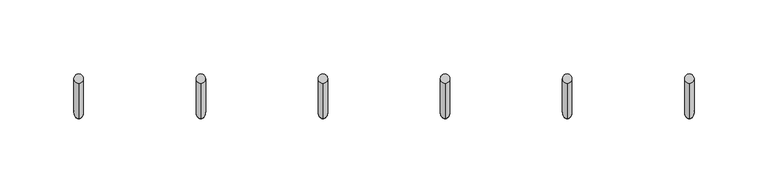
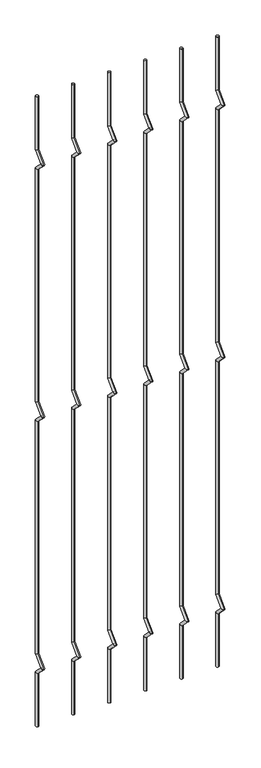
"""IFC4 building model written with IfcOpenShell, lengths in millimetres: railing geometry."""

import ifcopenshell
import ifcopenshell.guid

model = None  # the IFC model being written
_history = None  # IfcOwnerHistory: only IFC2X3 demands one
_inside = {}  # id of a spatial element -> (the spatial element, [elements in it])
_under = {}  # id of a project, library or spatial element -> (it, [spatial elements below it])
_declared = {}  # id of a project -> (the project, [libraries it declares])
_typed = {}  # id of a type object -> (the type object, [elements of that type])
_made_of = {}  # id of a material, layer set ... -> (it, [elements and type objects made of it])


def new_model(schema):
    """Start an empty IFC model of exactly this schema.

    Asked for "IFC4X3", IfcOpenShell would pick the latest addendum, in which some entities
    have other attributes; the version numbers below select the first issue.
    IFC2X3 requires an IfcOwnerHistory on every rooted entity: one is made here for all.
    """
    global model, _history
    if schema == "IFC4X3":
        model = ifcopenshell.file(schema_version=(4, 3, 0, 0))
    else:
        model = ifcopenshell.file(schema=schema)
    _inside.clear()
    _under.clear()
    _declared.clear()
    _typed.clear()
    _made_of.clear()
    _history = None
    if model.schema == "IFC2X3":
        org = make("IfcOrganization", Name="unknown")
        user = make(
            "IfcPersonAndOrganization",
            ThePerson=make("IfcPerson", FamilyName="unknown"),
            TheOrganization=org,
        )
        app = make(
            "IfcApplication",
            ApplicationDeveloper=org,
            Version="unknown",
            ApplicationFullName="unknown",
            ApplicationIdentifier="unknown",
        )
        _history = make(
            "IfcOwnerHistory",
            OwningUser=user,
            OwningApplication=app,
            ChangeAction="ADDED",
            CreationDate=0,
        )
    return model


def make(cls, **values):
    """One entity of the class cls with the attributes given. An attribute that is None is left unset."""
    return model.create_entity(
        cls, **{name: value for name, value in values.items() if value is not None}
    )


def rooted(cls, **values):
    """An entity with a GlobalId (a new one), such as an element, a storey or a relation."""
    return make(cls, GlobalId=ifcopenshell.guid.new(), OwnerHistory=_history, **values)


def si_unit(unit_type, name, prefix=None):
    """IfcSIUnit, for example si_unit("LENGTHUNIT", "METRE", prefix="MILLI")."""
    return make("IfcSIUnit", UnitType=unit_type, Prefix=prefix, Name=name)


def assignment(units):
    """IfcUnitAssignment: the units of a project."""
    return None if units is None else make("IfcUnitAssignment", Units=units)


def point(xyz):
    """IfcCartesianPoint."""
    return None if xyz is None else make("IfcCartesianPoint", Coordinates=xyz)


def direction(xyz):
    """IfcDirection."""
    return None if xyz is None else make("IfcDirection", DirectionRatios=xyz)


def frame(location, z_axis=None, x_axis=None):
    """IfcAxis2Placement3D, a coordinate frame: its origin and axes. An axis left out is left unset."""
    return make(
        "IfcAxis2Placement3D",
        Location=point(location),
        Axis=direction(z_axis),
        RefDirection=direction(x_axis),
    )


def origin():
    """The frame at (0, 0, 0) with its axes left unset."""
    return frame((0.0, 0.0, 0.0))


def place(relative_to, where):
    """IfcLocalPlacement: puts the frame where relative to a parent placement (None: the world)."""
    return make(
        "IfcLocalPlacement", PlacementRelTo=relative_to, RelativePlacement=where
    )


def context(
    kind, dimensions, precision=None, world=None, true_north=None, identifier=None
):
    """IfcGeometricRepresentationContext, for example the 3D "Model" context."""
    return make(
        "IfcGeometricRepresentationContext",
        ContextIdentifier=identifier,
        ContextType=kind,
        CoordinateSpaceDimension=dimensions,
        Precision=precision,
        WorldCoordinateSystem=world,
        TrueNorth=true_north,
    )


def project(units=None, contexts=None):
    """IfcProject with its units and contexts."""
    return rooted(
        "IfcProject",
        Name="project",
        RepresentationContexts=contexts,
        UnitsInContext=assignment(units),
    )


def spatial(cls, under=None, at=None, **own):
    """A site, building, storey or space (cls), placed at a placement, below another one or the project."""
    s = rooted(cls, ObjectPlacement=at, **own)
    if under is not None:
        _under.setdefault(under.id(), (under, []))[1].append(s)
    return s


def circle_curve(where, radius):
    """IfcCircle in the frame where."""
    return make("IfcCircle", Position=where, Radius=radius)


def ellipse_curve(where, semi_axis1, semi_axis2):
    """IfcEllipse in the frame where."""
    return make(
        "IfcEllipse", Position=where, SemiAxis1=semi_axis1, SemiAxis2=semi_axis2
    )


def shape(context_of_items, identifier, shape_type, items):
    """IfcShapeRepresentation: the items that make up one representation, for example the "Body"."""
    return make(
        "IfcShapeRepresentation",
        ContextOfItems=context_of_items,
        RepresentationIdentifier=identifier,
        RepresentationType=shape_type,
        Items=items,
    )


def source(mapping_origin, context_of_items, identifier, shape_type, items):
    """IfcRepresentationMap: a shape defined once, which mapped items show again and again."""
    return make(
        "IfcRepresentationMap",
        MappingOrigin=mapping_origin,
        MappedRepresentation=shape(context_of_items, identifier, shape_type, items),
    )


def transform(
    local_origin,
    x_axis=None,
    y_axis=None,
    z_axis=None,
    scale=None,
    scale2=None,
    scale3=None,
    uniform=True,
):
    """IfcCartesianTransformationOperator3D, or its non-uniform kind. x_axis, y_axis, z_axis: its Axis1, 2, 3."""
    if uniform:
        return make(
            "IfcCartesianTransformationOperator3D",
            Axis1=direction(x_axis),
            Axis2=direction(y_axis),
            LocalOrigin=point(local_origin),
            Scale=scale,
            Axis3=direction(z_axis),
        )
    return make(
        "IfcCartesianTransformationOperator3DnonUniform",
        Axis1=direction(x_axis),
        Axis2=direction(y_axis),
        LocalOrigin=point(local_origin),
        Scale=scale,
        Axis3=direction(z_axis),
        Scale2=scale2,
        Scale3=scale3,
    )


def mapped(mapping_source, mapping_target):
    """IfcMappedItem: shows the shape of a source again, moved by a transform."""
    return make(
        "IfcMappedItem", MappingSource=mapping_source, MappingTarget=mapping_target
    )


def made_of(thing, what):
    """Note that an element or type object is made of a material, layer set ...; save() writes the relation."""
    if what is not None:
        _made_of.setdefault(what.id(), (what, []))[1].append(thing)
    return thing


def element(
    cls,
    number,
    at=None,
    inside=None,
    cuts=None,
    type_object=None,
    material=None,
    context=None,
    identifier="Body",
    shape_type=None,
    held_by="IfcProductDefinitionShape",
    body=None,
    shapes=None,
    **own,
):
    """One element of the class cls, such as IfcWall. Its Tag is "e" and its number.

    at: its placement. inside: the storey or other place that contains it. cuts: it is an
    opening in that element (IfcRelVoidsElement). A single representation is given by context,
    identifier, shape_type and body (its items); several are given by shapes. held_by: the class
    of the entity that holds the representations. save() writes the other relations.
    """
    e = rooted(cls, Tag="e%d" % number, ObjectPlacement=at, **own)
    if body is not None:
        shapes = [shape(context, identifier, shape_type, body)]
    if shapes is not None:
        e.Representation = make(held_by, Representations=shapes)
    if inside is not None:
        _inside.setdefault(inside.id(), (inside, []))[1].append(e)
    if cuts is not None:
        rooted(
            "IfcRelVoidsElement", RelatingBuildingElement=cuts, RelatedOpeningElement=e
        )
    if type_object is not None:
        _typed.setdefault(type_object.id(), (type_object, []))[1].append(e)
    return made_of(e, material)


def aggregate(whole, parts):
    """IfcRelAggregates: a whole, such as a stair, and the parts it consists of."""
    return rooted("IfcRelAggregates", RelatingObject=whole, RelatedObjects=parts)


def save(model, path):
    """Write the relations noted so far, then the file.

    IfcRelAggregates (storeys below a building ...), IfcRelContainedInSpatialStructure (elements
    in a storey), IfcRelDefinesByType, IfcRelAssociatesMaterial and IfcRelDeclares: one each for
    every whole, place, type object, material and project.
    """
    for whole, parts in _under.values():
        aggregate(whole, parts)
    for where, things in _inside.values():
        rooted(
            "IfcRelContainedInSpatialStructure",
            RelatedElements=things,
            RelatingStructure=where,
        )
    for kind, things in _typed.values():
        rooted("IfcRelDefinesByType", RelatedObjects=things, RelatingType=kind)
    for what, things in _made_of.values():
        rooted("IfcRelAssociatesMaterial", RelatedObjects=things, RelatingMaterial=what)
    for by, libraries in _declared.values():
        rooted("IfcRelDeclares", RelatingContext=by, RelatedDefinitions=libraries)
    model.write(path)


def plane_surface(at):
    """IfcPlane: the flat surface through the origin of the frame at, square to its z axis."""
    return make("IfcPlane", Position=at)


def cylinder_surface(at, radius):
    """IfcCylindricalSurface: all points at the distance radius from the z axis of the frame at."""
    return make("IfcCylindricalSurface", Position=at, Radius=radius)


def advanced_brep(points, edges, surfaces, faces):
    """IfcAdvancedBrep: a solid bounded by faces that lie on surfaces and meet in shared edges.

    An edge is (start, end): straight between two places in points (the first is 0);
    or (start, end, curve); or (start, end, curve, False) where it runs against its curve.
    A face is (place in surfaces, loops), or (place, loops, False) where it looks against
    its surface's normal. A loop lists edges by number (the first is 1), with a minus sign
    where the edge is run from its end to its start. The first loop is the outer one.
    """
    corners = [point(p) for p in points]
    vertices = [make("IfcVertexPoint", VertexGeometry=c) for c in corners]
    made = []
    for start, end, *more in edges:
        made.append(
            make(
                "IfcEdgeCurve",
                EdgeStart=vertices[start],
                EdgeEnd=vertices[end],
                EdgeGeometry=more[0] if more else make("IfcPolyline", Points=[corners[start], corners[end]]),
                SameSense=more[1] if len(more) > 1 else True,
            )
        )
    hull = []
    for where, loops, *sense in faces:
        bounds = []
        for j, loop in enumerate(loops):
            ring = [make("IfcOrientedEdge", EdgeElement=made[abs(k) - 1], Orientation=k > 0) for k in loop]
            bounds.append(
                make(
                    "IfcFaceOuterBound" if j == 0 else "IfcFaceBound",
                    Bound=make("IfcEdgeLoop", EdgeList=ring),
                    Orientation=True,
                )
            )
        hull.append(make("IfcAdvancedFace", Bounds=bounds, FaceSurface=surfaces[where], SameSense=sense[0] if sense else True))
    return make("IfcAdvancedBrep", Outer=make("IfcClosedShell", CfsFaces=hull))


def railing_09a493be(model_context):
    return source(origin(), model_context, "Body", "AdvancedBrep", [
        advanced_brep(
        [(-20893.6556958, 13589.3554142, 25.4), (-20893.6556958, 13583.0054142, 25.4), (-20893.6556958, 13583.0054142, 154.0342316), (-20893.6556958, 13589.3554142, 156.6644878), (-20893.6556958, 13559.2396458, 177.8), (-20893.6556958, 13568.219902, 177.8), (-20893.6556958, 13583.0054142, 201.5657684), (-20893.6556958, 13589.3554142, 198.9355122), (-20893.6556958, 13583.0054142, 763.6342316), (-20893.6556958, 13589.3554142, 766.2644878), (-20893.6556958, 13559.2396458, 787.4), (-20893.6556958, 13568.219902, 787.4), (-20893.6556958, 13583.0054142, 811.1657684), (-20893.6556958, 13589.3554142, 808.5355122), (-20893.6556958, 13583.0054142, 1373.2342316), (-20893.6556958, 13589.3554142, 1375.8644878), (-20893.6556958, 13559.2396458, 1397.0), (-20893.6556958, 13568.219902, 1397.0), (-20893.6556958, 13583.0054142, 1420.7657684), (-20893.6556958, 13589.3554142, 1418.1355122), (-20893.6556958, 13589.3554142, 1549.4), (-20893.6556958, 13583.0054142, 1549.4)],
        [
            (0, 1, circle_curve(frame((-20893.6556958, 13586.1804142, 25.4), z_axis=(0.0, 0.0, -1.0), x_axis=(0.0, -1.0, 0.0)), 3.175)),
            (1, 0, circle_curve(frame((-20893.6556958, 13586.1804142, 25.4), z_axis=(0.0, 0.0, -1.0), x_axis=(0.0, -1.0, 0.0)), 3.175)),
            (1, 2),
            (2, 3, ellipse_curve(frame((-20893.6556958, 13586.1804142, 155.3493597), z_axis=(0.0, 0.3826834323650955, -0.9238795325112844), x_axis=(0.0, -0.9238795325112845, -0.38268343236509544)), 3.4365952, 3.175)),
            (3, 0),
            (3, 2, ellipse_curve(frame((-20893.6556958, 13586.1804142, 155.3493597), z_axis=(0.0, 0.3826834323650955, -0.9238795325112844), x_axis=(0.0, -0.9238795325112845, -0.38268343236509544)), 3.4365952, 3.175)),
            (2, 4),
            (4, 5, ellipse_curve(frame((-20893.6556958, 13563.7297739, 177.8), z_axis=(0.0, 0.0, -1.0), x_axis=(0.0, 1.0, 0.0)), 4.4901281, 3.175)),
            (5, 3),
            (5, 4, ellipse_curve(frame((-20893.6556958, 13563.7297739, 177.8), z_axis=(0.0, 0.0, -1.0), x_axis=(0.0, 1.0, 0.0)), 4.4901281, 3.175)),
            (4, 6),
            (6, 7, ellipse_curve(frame((-20893.6556958, 13586.1804142, 200.2506403), z_axis=(0.0, -0.3826834323650839, -0.9238795325112892), x_axis=(0.0, -0.9238795325112893, 0.38268343236508373)), 3.4365952, 3.175)),
            (7, 5),
            (7, 6, ellipse_curve(frame((-20893.6556958, 13586.1804142, 200.2506403), z_axis=(0.0, -0.3826834323650839, -0.9238795325112892), x_axis=(0.0, -0.9238795325112893, 0.38268343236508373)), 3.4365952, 3.175)),
            (6, 8),
            (8, 9, ellipse_curve(frame((-20893.6556958, 13586.1804142, 764.9493597), z_axis=(0.0, 0.3826834323651107, -0.9238795325112781), x_axis=(0.0, -0.9238795325112781, -0.3826834323651108)), 3.4365952, 3.175)),
            (9, 7),
            (9, 8, ellipse_curve(frame((-20893.6556958, 13586.1804142, 764.9493597), z_axis=(0.0, 0.3826834323651107, -0.9238795325112781), x_axis=(0.0, -0.9238795325112781, -0.3826834323651108)), 3.4365952, 3.175)),
            (8, 10),
            (10, 11, ellipse_curve(frame((-20893.6556958, 13563.7297739, 787.4), z_axis=(0.0, 0.0, -1.0), x_axis=(0.0, 1.0, 0.0)), 4.4901281, 3.175)),
            (11, 9),
            (11, 10, ellipse_curve(frame((-20893.6556958, 13563.7297739, 787.4), z_axis=(0.0, 0.0, -1.0), x_axis=(0.0, 1.0, 0.0)), 4.4901281, 3.175)),
            (10, 12),
            (12, 13, ellipse_curve(frame((-20893.6556958, 13586.1804142, 809.8506403), z_axis=(0.0, -0.3826834323650702, -0.9238795325112948), x_axis=(0.0, -0.9238795325112948, 0.38268343236507046)), 3.4365952, 3.175)),
            (13, 11),
            (13, 12, ellipse_curve(frame((-20893.6556958, 13586.1804142, 809.8506403), z_axis=(0.0, -0.3826834323650702, -0.9238795325112948), x_axis=(0.0, -0.9238795325112948, 0.38268343236507046)), 3.4365952, 3.175)),
            (12, 14),
            (14, 15, ellipse_curve(frame((-20893.6556958, 13586.1804142, 1374.5493597), z_axis=(0.0, 0.3826834323650811, -0.9238795325112903), x_axis=(0.0, -0.9238795325112901, -0.3826834323650815)), 3.4365952, 3.175)),
            (15, 13),
            (15, 14, ellipse_curve(frame((-20893.6556958, 13586.1804142, 1374.5493597), z_axis=(0.0, 0.3826834323650811, -0.9238795325112903), x_axis=(0.0, -0.9238795325112901, -0.3826834323650815)), 3.4365952, 3.175)),
            (14, 16),
            (16, 17, ellipse_curve(frame((-20893.6556958, 13563.7297739, 1397.0), z_axis=(0.0, 0.0, -1.0), x_axis=(0.0, 1.0, 0.0)), 4.4901281, 3.175)),
            (17, 15),
            (17, 16, ellipse_curve(frame((-20893.6556958, 13563.7297739, 1397.0), z_axis=(0.0, 0.0, -1.0), x_axis=(0.0, 1.0, 0.0)), 4.4901281, 3.175)),
            (16, 18),
            (18, 19, ellipse_curve(frame((-20893.6556958, 13586.1804142, 1419.4506403), z_axis=(0.0, -0.38268343236509844, -0.9238795325112833), x_axis=(0.0, -0.9238795325112827, 0.38268343236509916)), 3.4365952, 3.175)),
            (19, 17),
            (19, 18, ellipse_curve(frame((-20893.6556958, 13586.1804142, 1419.4506403), z_axis=(0.0, -0.38268343236509844, -0.9238795325112833), x_axis=(0.0, -0.9238795325112827, 0.38268343236509916)), 3.4365952, 3.175)),
            (20, 21, circle_curve(frame((-20893.6556958, 13586.1804142, 1549.4), z_axis=(0.0, 0.0, 1.0), x_axis=(0.0, -1.0, 0.0)), 3.175)),
            (21, 20, circle_curve(frame((-20893.6556958, 13586.1804142, 1549.4), z_axis=(0.0, 0.0, 1.0), x_axis=(0.0, -1.0, 0.0)), 3.175)),
            (18, 21),
            (20, 19),
        ],
        [
            plane_surface(frame((-20893.6556958, 13586.1804142, 25.4), z_axis=(0.0, 0.0, -1.0), x_axis=(-1.0, 0.0, 0.0))),
            cylinder_surface(frame((-20893.6556958, 13586.1804142, 25.4), z_axis=(0.0, 0.0, -1.0), x_axis=(0.0, -1.0, 0.0)), 3.175),
            cylinder_surface(frame((-20893.6556958, 13586.1804142, 155.3493597), z_axis=(0.0, 0.7071067811865563, -0.7071067811865388), x_axis=(0.0, -0.7071067811865388, -0.7071067811865563)), 3.175),
            cylinder_surface(frame((-20893.6556958, 13563.7297739, 177.8), z_axis=(0.0, -0.7071067811865385, -0.7071067811865568), x_axis=(0.0, -0.7071067811865568, 0.7071067811865385)), 3.175),
            cylinder_surface(frame((-20893.6556958, 13586.1804142, 200.2506403), z_axis=(0.0, 0.0, -1.0), x_axis=(0.0, -1.0, 0.0)), 3.175),
            cylinder_surface(frame((-20893.6556958, 13586.1804142, 764.9493597), z_axis=(0.0, 0.7071067811865798, -0.7071067811865153), x_axis=(0.0, -0.7071067811865153, -0.7071067811865798)), 3.175),
            cylinder_surface(frame((-20893.6556958, 13563.7297739, 787.4), z_axis=(0.0, -0.7071067811865173, -0.7071067811865779), x_axis=(0.0, -0.7071067811865779, 0.7071067811865173)), 3.175),
            cylinder_surface(frame((-20893.6556958, 13586.1804142, 809.8506403), z_axis=(0.0, 0.0, -1.0), x_axis=(0.0, -1.0, 0.0)), 3.175),
            cylinder_surface(frame((-20893.6556958, 13586.1804142, 1374.5493597), z_axis=(0.0, 0.7071067811865346, -0.7071067811865605), x_axis=(0.0, -0.7071067811865605, -0.7071067811865346)), 3.175),
            cylinder_surface(frame((-20893.6556958, 13563.7297739, 1397.0), z_axis=(0.0, -0.7071067811865608, -0.7071067811865344), x_axis=(0.0, -0.7071067811865344, 0.7071067811865608)), 3.175),
            plane_surface(frame((-20893.6556958, 13586.1804142, 1549.4), z_axis=(0.0, 0.0, 1.0), x_axis=(-1.0, 0.0, 0.0))),
            cylinder_surface(frame((-20893.6556958, 13586.1804142, 1419.4506403), z_axis=(0.0, 0.0, -1.0), x_axis=(0.0, -1.0, 0.0)), 3.175),
        ],
        [
            (0, [[1, 2]]),
            (1, [[3, 4, 5, -2]]),
            (1, [[-5, 6, -3, -1]]),
            (2, [[7, 8, 9, -4]]),
            (2, [[-9, 10, -7, -6]]),
            (3, [[11, 12, 13, -8]]),
            (3, [[-13, 14, -11, -10]]),
            (4, [[15, 16, 17, -12]]),
            (4, [[-17, 18, -15, -14]]),
            (5, [[19, 20, 21, -16]]),
            (5, [[-21, 22, -19, -18]]),
            (6, [[23, 24, 25, -20]]),
            (6, [[-25, 26, -23, -22]]),
            (7, [[27, 28, 29, -24]]),
            (7, [[-29, 30, -27, -26]]),
            (8, [[31, 32, 33, -28]]),
            (8, [[-33, 34, -31, -30]]),
            (9, [[35, 36, 37, -32]]),
            (9, [[-37, 38, -35, -34]]),
            (10, [[39, 40]]),
            (11, [[41, -39, 42, -36]]),
            (11, [[-42, -40, -41, -38]]),
        ],
    ),
        advanced_brep(
        [(-20811.1056958, 13589.3554142, 25.4), (-20811.1056958, 13583.0054142, 25.4), (-20811.1056958, 13583.0054142, 154.0342316), (-20811.1056958, 13589.3554142, 156.6644878), (-20811.1056958, 13559.2396458, 177.8), (-20811.1056958, 13568.219902, 177.8), (-20811.1056958, 13583.0054142, 201.5657684), (-20811.1056958, 13589.3554142, 198.9355122), (-20811.1056958, 13583.0054142, 763.6342316), (-20811.1056958, 13589.3554142, 766.2644878), (-20811.1056958, 13559.2396458, 787.4), (-20811.1056958, 13568.219902, 787.4), (-20811.1056958, 13583.0054142, 811.1657684), (-20811.1056958, 13589.3554142, 808.5355122), (-20811.1056958, 13583.0054142, 1373.2342316), (-20811.1056958, 13589.3554142, 1375.8644878), (-20811.1056958, 13559.2396458, 1397.0), (-20811.1056958, 13568.219902, 1397.0), (-20811.1056958, 13583.0054142, 1420.7657684), (-20811.1056958, 13589.3554142, 1418.1355122), (-20811.1056958, 13589.3554142, 1549.4), (-20811.1056958, 13583.0054142, 1549.4)],
        [
            (0, 1, circle_curve(frame((-20811.1056958, 13586.1804142, 25.4), z_axis=(0.0, 0.0, -1.0), x_axis=(0.0, -1.0, 0.0)), 3.175)),
            (1, 0, circle_curve(frame((-20811.1056958, 13586.1804142, 25.4), z_axis=(0.0, 0.0, -1.0), x_axis=(0.0, -1.0, 0.0)), 3.175)),
            (1, 2),
            (2, 3, ellipse_curve(frame((-20811.1056958, 13586.1804142, 155.3493597), z_axis=(0.0, 0.3826834323650955, -0.9238795325112844), x_axis=(0.0, -0.9238795325112845, -0.38268343236509544)), 3.4365952, 3.175)),
            (3, 0),
            (3, 2, ellipse_curve(frame((-20811.1056958, 13586.1804142, 155.3493597), z_axis=(0.0, 0.3826834323650955, -0.9238795325112844), x_axis=(0.0, -0.9238795325112845, -0.38268343236509544)), 3.4365952, 3.175)),
            (2, 4),
            (4, 5, ellipse_curve(frame((-20811.1056958, 13563.7297739, 177.8), z_axis=(0.0, 0.0, -1.0), x_axis=(0.0, 1.0, 0.0)), 4.4901281, 3.175)),
            (5, 3),
            (5, 4, ellipse_curve(frame((-20811.1056958, 13563.7297739, 177.8), z_axis=(0.0, 0.0, -1.0), x_axis=(0.0, 1.0, 0.0)), 4.4901281, 3.175)),
            (4, 6),
            (6, 7, ellipse_curve(frame((-20811.1056958, 13586.1804142, 200.2506403), z_axis=(0.0, -0.3826834323650839, -0.9238795325112892), x_axis=(0.0, -0.9238795325112893, 0.38268343236508373)), 3.4365952, 3.175)),
            (7, 5),
            (7, 6, ellipse_curve(frame((-20811.1056958, 13586.1804142, 200.2506403), z_axis=(0.0, -0.3826834323650839, -0.9238795325112892), x_axis=(0.0, -0.9238795325112893, 0.38268343236508373)), 3.4365952, 3.175)),
            (6, 8),
            (8, 9, ellipse_curve(frame((-20811.1056958, 13586.1804142, 764.9493597), z_axis=(0.0, 0.3826834323651107, -0.9238795325112781), x_axis=(0.0, -0.9238795325112781, -0.3826834323651108)), 3.4365952, 3.175)),
            (9, 7),
            (9, 8, ellipse_curve(frame((-20811.1056958, 13586.1804142, 764.9493597), z_axis=(0.0, 0.3826834323651107, -0.9238795325112781), x_axis=(0.0, -0.9238795325112781, -0.3826834323651108)), 3.4365952, 3.175)),
            (8, 10),
            (10, 11, ellipse_curve(frame((-20811.1056958, 13563.7297739, 787.4), z_axis=(0.0, 0.0, -1.0), x_axis=(0.0, 1.0, 0.0)), 4.4901281, 3.175)),
            (11, 9),
            (11, 10, ellipse_curve(frame((-20811.1056958, 13563.7297739, 787.4), z_axis=(0.0, 0.0, -1.0), x_axis=(0.0, 1.0, 0.0)), 4.4901281, 3.175)),
            (10, 12),
            (12, 13, ellipse_curve(frame((-20811.1056958, 13586.1804142, 809.8506403), z_axis=(0.0, -0.3826834323650702, -0.9238795325112948), x_axis=(0.0, -0.9238795325112948, 0.38268343236507046)), 3.4365952, 3.175)),
            (13, 11),
            (13, 12, ellipse_curve(frame((-20811.1056958, 13586.1804142, 809.8506403), z_axis=(0.0, -0.3826834323650702, -0.9238795325112948), x_axis=(0.0, -0.9238795325112948, 0.38268343236507046)), 3.4365952, 3.175)),
            (12, 14),
            (14, 15, ellipse_curve(frame((-20811.1056958, 13586.1804142, 1374.5493597), z_axis=(0.0, 0.3826834323650811, -0.9238795325112903), x_axis=(0.0, -0.9238795325112901, -0.3826834323650815)), 3.4365952, 3.175)),
            (15, 13),
            (15, 14, ellipse_curve(frame((-20811.1056958, 13586.1804142, 1374.5493597), z_axis=(0.0, 0.3826834323650811, -0.9238795325112903), x_axis=(0.0, -0.9238795325112901, -0.3826834323650815)), 3.4365952, 3.175)),
            (14, 16),
            (16, 17, ellipse_curve(frame((-20811.1056958, 13563.7297739, 1397.0), z_axis=(0.0, 0.0, -1.0), x_axis=(0.0, 1.0, 0.0)), 4.4901281, 3.175)),
            (17, 15),
            (17, 16, ellipse_curve(frame((-20811.1056958, 13563.7297739, 1397.0), z_axis=(0.0, 0.0, -1.0), x_axis=(0.0, 1.0, 0.0)), 4.4901281, 3.175)),
            (16, 18),
            (18, 19, ellipse_curve(frame((-20811.1056958, 13586.1804142, 1419.4506403), z_axis=(0.0, -0.38268343236509844, -0.9238795325112833), x_axis=(0.0, -0.9238795325112827, 0.38268343236509916)), 3.4365952, 3.175)),
            (19, 17),
            (19, 18, ellipse_curve(frame((-20811.1056958, 13586.1804142, 1419.4506403), z_axis=(0.0, -0.38268343236509844, -0.9238795325112833), x_axis=(0.0, -0.9238795325112827, 0.38268343236509916)), 3.4365952, 3.175)),
            (20, 21, circle_curve(frame((-20811.1056958, 13586.1804142, 1549.4), z_axis=(0.0, 0.0, 1.0), x_axis=(0.0, -1.0, 0.0)), 3.175)),
            (21, 20, circle_curve(frame((-20811.1056958, 13586.1804142, 1549.4), z_axis=(0.0, 0.0, 1.0), x_axis=(0.0, -1.0, 0.0)), 3.175)),
            (18, 21),
            (20, 19),
        ],
        [
            plane_surface(frame((-20811.1056958, 13586.1804142, 25.4), z_axis=(0.0, 0.0, -1.0), x_axis=(-1.0, 0.0, 0.0))),
            cylinder_surface(frame((-20811.1056958, 13586.1804142, 25.4), z_axis=(0.0, 0.0, -1.0), x_axis=(0.0, -1.0, 0.0)), 3.175),
            cylinder_surface(frame((-20811.1056958, 13586.1804142, 155.3493597), z_axis=(0.0, 0.7071067811865563, -0.7071067811865388), x_axis=(0.0, -0.7071067811865388, -0.7071067811865563)), 3.175),
            cylinder_surface(frame((-20811.1056958, 13563.7297739, 177.8), z_axis=(0.0, -0.7071067811865385, -0.7071067811865568), x_axis=(0.0, -0.7071067811865568, 0.7071067811865385)), 3.175),
            cylinder_surface(frame((-20811.1056958, 13586.1804142, 200.2506403), z_axis=(0.0, 0.0, -1.0), x_axis=(0.0, -1.0, 0.0)), 3.175),
            cylinder_surface(frame((-20811.1056958, 13586.1804142, 764.9493597), z_axis=(0.0, 0.7071067811865798, -0.7071067811865153), x_axis=(0.0, -0.7071067811865153, -0.7071067811865798)), 3.175),
            cylinder_surface(frame((-20811.1056958, 13563.7297739, 787.4), z_axis=(0.0, -0.7071067811865173, -0.7071067811865779), x_axis=(0.0, -0.7071067811865779, 0.7071067811865173)), 3.175),
            cylinder_surface(frame((-20811.1056958, 13586.1804142, 809.8506403), z_axis=(0.0, 0.0, -1.0), x_axis=(0.0, -1.0, 0.0)), 3.175),
            cylinder_surface(frame((-20811.1056958, 13586.1804142, 1374.5493597), z_axis=(0.0, 0.7071067811865346, -0.7071067811865605), x_axis=(0.0, -0.7071067811865605, -0.7071067811865346)), 3.175),
            cylinder_surface(frame((-20811.1056958, 13563.7297739, 1397.0), z_axis=(0.0, -0.7071067811865608, -0.7071067811865344), x_axis=(0.0, -0.7071067811865344, 0.7071067811865608)), 3.175),
            plane_surface(frame((-20811.1056958, 13586.1804142, 1549.4), z_axis=(0.0, 0.0, 1.0), x_axis=(-1.0, 0.0, 0.0))),
            cylinder_surface(frame((-20811.1056958, 13586.1804142, 1419.4506403), z_axis=(0.0, 0.0, -1.0), x_axis=(0.0, -1.0, 0.0)), 3.175),
        ],
        [
            (0, [[1, 2]]),
            (1, [[3, 4, 5, -2]]),
            (1, [[-5, 6, -3, -1]]),
            (2, [[7, 8, 9, -4]]),
            (2, [[-9, 10, -7, -6]]),
            (3, [[11, 12, 13, -8]]),
            (3, [[-13, 14, -11, -10]]),
            (4, [[15, 16, 17, -12]]),
            (4, [[-17, 18, -15, -14]]),
            (5, [[19, 20, 21, -16]]),
            (5, [[-21, 22, -19, -18]]),
            (6, [[23, 24, 25, -20]]),
            (6, [[-25, 26, -23, -22]]),
            (7, [[27, 28, 29, -24]]),
            (7, [[-29, 30, -27, -26]]),
            (8, [[31, 32, 33, -28]]),
            (8, [[-33, 34, -31, -30]]),
            (9, [[35, 36, 37, -32]]),
            (9, [[-37, 38, -35, -34]]),
            (10, [[39, 40]]),
            (11, [[41, -39, 42, -36]]),
            (11, [[-42, -40, -41, -38]]),
        ],
    ),
        advanced_brep(
        [(-20728.5556958, 13589.3554142, 25.4), (-20728.5556958, 13583.0054142, 25.4), (-20728.5556958, 13583.0054142, 154.0342316), (-20728.5556958, 13589.3554142, 156.6644878), (-20728.5556958, 13559.2396458, 177.8), (-20728.5556958, 13568.219902, 177.8), (-20728.5556958, 13583.0054142, 201.5657684), (-20728.5556958, 13589.3554142, 198.9355122), (-20728.5556958, 13583.0054142, 763.6342316), (-20728.5556958, 13589.3554142, 766.2644878), (-20728.5556958, 13559.2396458, 787.4), (-20728.5556958, 13568.219902, 787.4), (-20728.5556958, 13583.0054142, 811.1657684), (-20728.5556958, 13589.3554142, 808.5355122), (-20728.5556958, 13583.0054142, 1373.2342316), (-20728.5556958, 13589.3554142, 1375.8644878), (-20728.5556958, 13559.2396458, 1397.0), (-20728.5556958, 13568.219902, 1397.0), (-20728.5556958, 13583.0054142, 1420.7657684), (-20728.5556958, 13589.3554142, 1418.1355122), (-20728.5556958, 13589.3554142, 1549.4), (-20728.5556958, 13583.0054142, 1549.4)],
        [
            (0, 1, circle_curve(frame((-20728.5556958, 13586.1804142, 25.4), z_axis=(0.0, 0.0, -1.0), x_axis=(0.0, -1.0, 0.0)), 3.175)),
            (1, 0, circle_curve(frame((-20728.5556958, 13586.1804142, 25.4), z_axis=(0.0, 0.0, -1.0), x_axis=(0.0, -1.0, 0.0)), 3.175)),
            (1, 2),
            (2, 3, ellipse_curve(frame((-20728.5556958, 13586.1804142, 155.3493597), z_axis=(0.0, 0.3826834323650955, -0.9238795325112844), x_axis=(0.0, -0.9238795325112845, -0.38268343236509544)), 3.4365952, 3.175)),
            (3, 0),
            (3, 2, ellipse_curve(frame((-20728.5556958, 13586.1804142, 155.3493597), z_axis=(0.0, 0.3826834323650955, -0.9238795325112844), x_axis=(0.0, -0.9238795325112845, -0.38268343236509544)), 3.4365952, 3.175)),
            (2, 4),
            (4, 5, ellipse_curve(frame((-20728.5556958, 13563.7297739, 177.8), z_axis=(0.0, 0.0, -1.0), x_axis=(0.0, 1.0, 0.0)), 4.4901281, 3.175)),
            (5, 3),
            (5, 4, ellipse_curve(frame((-20728.5556958, 13563.7297739, 177.8), z_axis=(0.0, 0.0, -1.0), x_axis=(0.0, 1.0, 0.0)), 4.4901281, 3.175)),
            (4, 6),
            (6, 7, ellipse_curve(frame((-20728.5556958, 13586.1804142, 200.2506403), z_axis=(0.0, -0.3826834323650839, -0.9238795325112892), x_axis=(0.0, -0.9238795325112893, 0.38268343236508373)), 3.4365952, 3.175)),
            (7, 5),
            (7, 6, ellipse_curve(frame((-20728.5556958, 13586.1804142, 200.2506403), z_axis=(0.0, -0.3826834323650839, -0.9238795325112892), x_axis=(0.0, -0.9238795325112893, 0.38268343236508373)), 3.4365952, 3.175)),
            (6, 8),
            (8, 9, ellipse_curve(frame((-20728.5556958, 13586.1804142, 764.9493597), z_axis=(0.0, 0.3826834323651107, -0.9238795325112781), x_axis=(0.0, -0.9238795325112781, -0.3826834323651108)), 3.4365952, 3.175)),
            (9, 7),
            (9, 8, ellipse_curve(frame((-20728.5556958, 13586.1804142, 764.9493597), z_axis=(0.0, 0.3826834323651107, -0.9238795325112781), x_axis=(0.0, -0.9238795325112781, -0.3826834323651108)), 3.4365952, 3.175)),
            (8, 10),
            (10, 11, ellipse_curve(frame((-20728.5556958, 13563.7297739, 787.4), z_axis=(0.0, 0.0, -1.0), x_axis=(0.0, 1.0, 0.0)), 4.4901281, 3.175)),
            (11, 9),
            (11, 10, ellipse_curve(frame((-20728.5556958, 13563.7297739, 787.4), z_axis=(0.0, 0.0, -1.0), x_axis=(0.0, 1.0, 0.0)), 4.4901281, 3.175)),
            (10, 12),
            (12, 13, ellipse_curve(frame((-20728.5556958, 13586.1804142, 809.8506403), z_axis=(0.0, -0.3826834323650702, -0.9238795325112948), x_axis=(0.0, -0.9238795325112948, 0.38268343236507046)), 3.4365952, 3.175)),
            (13, 11),
            (13, 12, ellipse_curve(frame((-20728.5556958, 13586.1804142, 809.8506403), z_axis=(0.0, -0.3826834323650702, -0.9238795325112948), x_axis=(0.0, -0.9238795325112948, 0.38268343236507046)), 3.4365952, 3.175)),
            (12, 14),
            (14, 15, ellipse_curve(frame((-20728.5556958, 13586.1804142, 1374.5493597), z_axis=(0.0, 0.3826834323650811, -0.9238795325112903), x_axis=(0.0, -0.9238795325112901, -0.3826834323650815)), 3.4365952, 3.175)),
            (15, 13),
            (15, 14, ellipse_curve(frame((-20728.5556958, 13586.1804142, 1374.5493597), z_axis=(0.0, 0.3826834323650811, -0.9238795325112903), x_axis=(0.0, -0.9238795325112901, -0.3826834323650815)), 3.4365952, 3.175)),
            (14, 16),
            (16, 17, ellipse_curve(frame((-20728.5556958, 13563.7297739, 1397.0), z_axis=(0.0, 0.0, -1.0), x_axis=(0.0, 1.0, 0.0)), 4.4901281, 3.175)),
            (17, 15),
            (17, 16, ellipse_curve(frame((-20728.5556958, 13563.7297739, 1397.0), z_axis=(0.0, 0.0, -1.0), x_axis=(0.0, 1.0, 0.0)), 4.4901281, 3.175)),
            (16, 18),
            (18, 19, ellipse_curve(frame((-20728.5556958, 13586.1804142, 1419.4506403), z_axis=(0.0, -0.38268343236509844, -0.9238795325112833), x_axis=(0.0, -0.9238795325112827, 0.38268343236509916)), 3.4365952, 3.175)),
            (19, 17),
            (19, 18, ellipse_curve(frame((-20728.5556958, 13586.1804142, 1419.4506403), z_axis=(0.0, -0.38268343236509844, -0.9238795325112833), x_axis=(0.0, -0.9238795325112827, 0.38268343236509916)), 3.4365952, 3.175)),
            (20, 21, circle_curve(frame((-20728.5556958, 13586.1804142, 1549.4), z_axis=(0.0, 0.0, 1.0), x_axis=(0.0, -1.0, 0.0)), 3.175)),
            (21, 20, circle_curve(frame((-20728.5556958, 13586.1804142, 1549.4), z_axis=(0.0, 0.0, 1.0), x_axis=(0.0, -1.0, 0.0)), 3.175)),
            (18, 21),
            (20, 19),
        ],
        [
            plane_surface(frame((-20728.5556958, 13586.1804142, 25.4), z_axis=(0.0, 0.0, -1.0), x_axis=(-1.0, 0.0, 0.0))),
            cylinder_surface(frame((-20728.5556958, 13586.1804142, 25.4), z_axis=(0.0, 0.0, -1.0), x_axis=(0.0, -1.0, 0.0)), 3.175),
            cylinder_surface(frame((-20728.5556958, 13586.1804142, 155.3493597), z_axis=(0.0, 0.7071067811865563, -0.7071067811865388), x_axis=(0.0, -0.7071067811865388, -0.7071067811865563)), 3.175),
            cylinder_surface(frame((-20728.5556958, 13563.7297739, 177.8), z_axis=(0.0, -0.7071067811865385, -0.7071067811865568), x_axis=(0.0, -0.7071067811865568, 0.7071067811865385)), 3.175),
            cylinder_surface(frame((-20728.5556958, 13586.1804142, 200.2506403), z_axis=(0.0, 0.0, -1.0), x_axis=(0.0, -1.0, 0.0)), 3.175),
            cylinder_surface(frame((-20728.5556958, 13586.1804142, 764.9493597), z_axis=(0.0, 0.7071067811865798, -0.7071067811865153), x_axis=(0.0, -0.7071067811865153, -0.7071067811865798)), 3.175),
            cylinder_surface(frame((-20728.5556958, 13563.7297739, 787.4), z_axis=(0.0, -0.7071067811865173, -0.7071067811865779), x_axis=(0.0, -0.7071067811865779, 0.7071067811865173)), 3.175),
            cylinder_surface(frame((-20728.5556958, 13586.1804142, 809.8506403), z_axis=(0.0, 0.0, -1.0), x_axis=(0.0, -1.0, 0.0)), 3.175),
            cylinder_surface(frame((-20728.5556958, 13586.1804142, 1374.5493597), z_axis=(0.0, 0.7071067811865346, -0.7071067811865605), x_axis=(0.0, -0.7071067811865605, -0.7071067811865346)), 3.175),
            cylinder_surface(frame((-20728.5556958, 13563.7297739, 1397.0), z_axis=(0.0, -0.7071067811865608, -0.7071067811865344), x_axis=(0.0, -0.7071067811865344, 0.7071067811865608)), 3.175),
            plane_surface(frame((-20728.5556958, 13586.1804142, 1549.4), z_axis=(0.0, 0.0, 1.0), x_axis=(-1.0, 0.0, 0.0))),
            cylinder_surface(frame((-20728.5556958, 13586.1804142, 1419.4506403), z_axis=(0.0, 0.0, -1.0), x_axis=(0.0, -1.0, 0.0)), 3.175),
        ],
        [
            (0, [[1, 2]]),
            (1, [[3, 4, 5, -2]]),
            (1, [[-5, 6, -3, -1]]),
            (2, [[7, 8, 9, -4]]),
            (2, [[-9, 10, -7, -6]]),
            (3, [[11, 12, 13, -8]]),
            (3, [[-13, 14, -11, -10]]),
            (4, [[15, 16, 17, -12]]),
            (4, [[-17, 18, -15, -14]]),
            (5, [[19, 20, 21, -16]]),
            (5, [[-21, 22, -19, -18]]),
            (6, [[23, 24, 25, -20]]),
            (6, [[-25, 26, -23, -22]]),
            (7, [[27, 28, 29, -24]]),
            (7, [[-29, 30, -27, -26]]),
            (8, [[31, 32, 33, -28]]),
            (8, [[-33, 34, -31, -30]]),
            (9, [[35, 36, 37, -32]]),
            (9, [[-37, 38, -35, -34]]),
            (10, [[39, 40]]),
            (11, [[41, -39, 42, -36]]),
            (11, [[-42, -40, -41, -38]]),
        ],
    ),
        advanced_brep(
        [(-20646.0056958, 13589.3554142, 25.4), (-20646.0056958, 13583.0054142, 25.4), (-20646.0056958, 13583.0054142, 154.0342316), (-20646.0056958, 13589.3554142, 156.6644878), (-20646.0056958, 13559.2396458, 177.8), (-20646.0056958, 13568.219902, 177.8), (-20646.0056958, 13583.0054142, 201.5657684), (-20646.0056958, 13589.3554142, 198.9355122), (-20646.0056958, 13583.0054142, 763.6342316), (-20646.0056958, 13589.3554142, 766.2644878), (-20646.0056958, 13559.2396458, 787.4), (-20646.0056958, 13568.219902, 787.4), (-20646.0056958, 13583.0054142, 811.1657684), (-20646.0056958, 13589.3554142, 808.5355122), (-20646.0056958, 13583.0054142, 1373.2342316), (-20646.0056958, 13589.3554142, 1375.8644878), (-20646.0056958, 13559.2396458, 1397.0), (-20646.0056958, 13568.219902, 1397.0), (-20646.0056958, 13583.0054142, 1420.7657684), (-20646.0056958, 13589.3554142, 1418.1355122), (-20646.0056958, 13589.3554142, 1549.4), (-20646.0056958, 13583.0054142, 1549.4)],
        [
            (0, 1, circle_curve(frame((-20646.0056958, 13586.1804142, 25.4), z_axis=(0.0, 0.0, -1.0), x_axis=(0.0, -1.0, 0.0)), 3.175)),
            (1, 0, circle_curve(frame((-20646.0056958, 13586.1804142, 25.4), z_axis=(0.0, 0.0, -1.0), x_axis=(0.0, -1.0, 0.0)), 3.175)),
            (1, 2),
            (2, 3, ellipse_curve(frame((-20646.0056958, 13586.1804142, 155.3493597), z_axis=(0.0, 0.3826834323650955, -0.9238795325112844), x_axis=(0.0, -0.9238795325112845, -0.38268343236509544)), 3.4365952, 3.175)),
            (3, 0),
            (3, 2, ellipse_curve(frame((-20646.0056958, 13586.1804142, 155.3493597), z_axis=(0.0, 0.3826834323650955, -0.9238795325112844), x_axis=(0.0, -0.9238795325112845, -0.38268343236509544)), 3.4365952, 3.175)),
            (2, 4),
            (4, 5, ellipse_curve(frame((-20646.0056958, 13563.7297739, 177.8), z_axis=(0.0, 0.0, -1.0), x_axis=(0.0, 1.0, 0.0)), 4.4901281, 3.175)),
            (5, 3),
            (5, 4, ellipse_curve(frame((-20646.0056958, 13563.7297739, 177.8), z_axis=(0.0, 0.0, -1.0), x_axis=(0.0, 1.0, 0.0)), 4.4901281, 3.175)),
            (4, 6),
            (6, 7, ellipse_curve(frame((-20646.0056958, 13586.1804142, 200.2506403), z_axis=(0.0, -0.3826834323650839, -0.9238795325112892), x_axis=(0.0, -0.9238795325112893, 0.38268343236508373)), 3.4365952, 3.175)),
            (7, 5),
            (7, 6, ellipse_curve(frame((-20646.0056958, 13586.1804142, 200.2506403), z_axis=(0.0, -0.3826834323650839, -0.9238795325112892), x_axis=(0.0, -0.9238795325112893, 0.38268343236508373)), 3.4365952, 3.175)),
            (6, 8),
            (8, 9, ellipse_curve(frame((-20646.0056958, 13586.1804142, 764.9493597), z_axis=(0.0, 0.3826834323651107, -0.9238795325112781), x_axis=(0.0, -0.9238795325112781, -0.3826834323651108)), 3.4365952, 3.175)),
            (9, 7),
            (9, 8, ellipse_curve(frame((-20646.0056958, 13586.1804142, 764.9493597), z_axis=(0.0, 0.3826834323651107, -0.9238795325112781), x_axis=(0.0, -0.9238795325112781, -0.3826834323651108)), 3.4365952, 3.175)),
            (8, 10),
            (10, 11, ellipse_curve(frame((-20646.0056958, 13563.7297739, 787.4), z_axis=(0.0, 0.0, -1.0), x_axis=(0.0, 1.0, 0.0)), 4.4901281, 3.175)),
            (11, 9),
            (11, 10, ellipse_curve(frame((-20646.0056958, 13563.7297739, 787.4), z_axis=(0.0, 0.0, -1.0), x_axis=(0.0, 1.0, 0.0)), 4.4901281, 3.175)),
            (10, 12),
            (12, 13, ellipse_curve(frame((-20646.0056958, 13586.1804142, 809.8506403), z_axis=(0.0, -0.3826834323650702, -0.9238795325112948), x_axis=(0.0, -0.9238795325112948, 0.38268343236507046)), 3.4365952, 3.175)),
            (13, 11),
            (13, 12, ellipse_curve(frame((-20646.0056958, 13586.1804142, 809.8506403), z_axis=(0.0, -0.3826834323650702, -0.9238795325112948), x_axis=(0.0, -0.9238795325112948, 0.38268343236507046)), 3.4365952, 3.175)),
            (12, 14),
            (14, 15, ellipse_curve(frame((-20646.0056958, 13586.1804142, 1374.5493597), z_axis=(0.0, 0.3826834323650811, -0.9238795325112903), x_axis=(0.0, -0.9238795325112901, -0.3826834323650815)), 3.4365952, 3.175)),
            (15, 13),
            (15, 14, ellipse_curve(frame((-20646.0056958, 13586.1804142, 1374.5493597), z_axis=(0.0, 0.3826834323650811, -0.9238795325112903), x_axis=(0.0, -0.9238795325112901, -0.3826834323650815)), 3.4365952, 3.175)),
            (14, 16),
            (16, 17, ellipse_curve(frame((-20646.0056958, 13563.7297739, 1397.0), z_axis=(0.0, 0.0, -1.0), x_axis=(0.0, 1.0, 0.0)), 4.4901281, 3.175)),
            (17, 15),
            (17, 16, ellipse_curve(frame((-20646.0056958, 13563.7297739, 1397.0), z_axis=(0.0, 0.0, -1.0), x_axis=(0.0, 1.0, 0.0)), 4.4901281, 3.175)),
            (16, 18),
            (18, 19, ellipse_curve(frame((-20646.0056958, 13586.1804142, 1419.4506403), z_axis=(0.0, -0.38268343236509844, -0.9238795325112833), x_axis=(0.0, -0.9238795325112827, 0.38268343236509916)), 3.4365952, 3.175)),
            (19, 17),
            (19, 18, ellipse_curve(frame((-20646.0056958, 13586.1804142, 1419.4506403), z_axis=(0.0, -0.38268343236509844, -0.9238795325112833), x_axis=(0.0, -0.9238795325112827, 0.38268343236509916)), 3.4365952, 3.175)),
            (20, 21, circle_curve(frame((-20646.0056958, 13586.1804142, 1549.4), z_axis=(0.0, 0.0, 1.0), x_axis=(0.0, -1.0, 0.0)), 3.175)),
            (21, 20, circle_curve(frame((-20646.0056958, 13586.1804142, 1549.4), z_axis=(0.0, 0.0, 1.0), x_axis=(0.0, -1.0, 0.0)), 3.175)),
            (18, 21),
            (20, 19),
        ],
        [
            plane_surface(frame((-20646.0056958, 13586.1804142, 25.4), z_axis=(0.0, 0.0, -1.0), x_axis=(-1.0, 0.0, 0.0))),
            cylinder_surface(frame((-20646.0056958, 13586.1804142, 25.4), z_axis=(0.0, 0.0, -1.0), x_axis=(0.0, -1.0, 0.0)), 3.175),
            cylinder_surface(frame((-20646.0056958, 13586.1804142, 155.3493597), z_axis=(0.0, 0.7071067811865563, -0.7071067811865388), x_axis=(0.0, -0.7071067811865388, -0.7071067811865563)), 3.175),
            cylinder_surface(frame((-20646.0056958, 13563.7297739, 177.8), z_axis=(0.0, -0.7071067811865385, -0.7071067811865568), x_axis=(0.0, -0.7071067811865568, 0.7071067811865385)), 3.175),
            cylinder_surface(frame((-20646.0056958, 13586.1804142, 200.2506403), z_axis=(0.0, 0.0, -1.0), x_axis=(0.0, -1.0, 0.0)), 3.175),
            cylinder_surface(frame((-20646.0056958, 13586.1804142, 764.9493597), z_axis=(0.0, 0.7071067811865798, -0.7071067811865153), x_axis=(0.0, -0.7071067811865153, -0.7071067811865798)), 3.175),
            cylinder_surface(frame((-20646.0056958, 13563.7297739, 787.4), z_axis=(0.0, -0.7071067811865173, -0.7071067811865779), x_axis=(0.0, -0.7071067811865779, 0.7071067811865173)), 3.175),
            cylinder_surface(frame((-20646.0056958, 13586.1804142, 809.8506403), z_axis=(0.0, 0.0, -1.0), x_axis=(0.0, -1.0, 0.0)), 3.175),
            cylinder_surface(frame((-20646.0056958, 13586.1804142, 1374.5493597), z_axis=(0.0, 0.7071067811865346, -0.7071067811865605), x_axis=(0.0, -0.7071067811865605, -0.7071067811865346)), 3.175),
            cylinder_surface(frame((-20646.0056958, 13563.7297739, 1397.0), z_axis=(0.0, -0.7071067811865608, -0.7071067811865344), x_axis=(0.0, -0.7071067811865344, 0.7071067811865608)), 3.175),
            plane_surface(frame((-20646.0056958, 13586.1804142, 1549.4), z_axis=(0.0, 0.0, 1.0), x_axis=(-1.0, 0.0, 0.0))),
            cylinder_surface(frame((-20646.0056958, 13586.1804142, 1419.4506403), z_axis=(0.0, 0.0, -1.0), x_axis=(0.0, -1.0, 0.0)), 3.175),
        ],
        [
            (0, [[1, 2]]),
            (1, [[3, 4, 5, -2]]),
            (1, [[-5, 6, -3, -1]]),
            (2, [[7, 8, 9, -4]]),
            (2, [[-9, 10, -7, -6]]),
            (3, [[11, 12, 13, -8]]),
            (3, [[-13, 14, -11, -10]]),
            (4, [[15, 16, 17, -12]]),
            (4, [[-17, 18, -15, -14]]),
            (5, [[19, 20, 21, -16]]),
            (5, [[-21, 22, -19, -18]]),
            (6, [[23, 24, 25, -20]]),
            (6, [[-25, 26, -23, -22]]),
            (7, [[27, 28, 29, -24]]),
            (7, [[-29, 30, -27, -26]]),
            (8, [[31, 32, 33, -28]]),
            (8, [[-33, 34, -31, -30]]),
            (9, [[35, 36, 37, -32]]),
            (9, [[-37, 38, -35, -34]]),
            (10, [[39, 40]]),
            (11, [[41, -39, 42, -36]]),
            (11, [[-42, -40, -41, -38]]),
        ],
    ),
        advanced_brep(
        [(-20563.4556958, 13589.3554142, 25.4), (-20563.4556958, 13583.0054142, 25.4), (-20563.4556958, 13583.0054142, 154.0342316), (-20563.4556958, 13589.3554142, 156.6644878), (-20563.4556958, 13559.2396458, 177.8), (-20563.4556958, 13568.219902, 177.8), (-20563.4556958, 13583.0054142, 201.5657684), (-20563.4556958, 13589.3554142, 198.9355122), (-20563.4556958, 13583.0054142, 763.6342316), (-20563.4556958, 13589.3554142, 766.2644878), (-20563.4556958, 13559.2396458, 787.4), (-20563.4556958, 13568.219902, 787.4), (-20563.4556958, 13583.0054142, 811.1657684), (-20563.4556958, 13589.3554142, 808.5355122), (-20563.4556958, 13583.0054142, 1373.2342316), (-20563.4556958, 13589.3554142, 1375.8644878), (-20563.4556958, 13559.2396458, 1397.0), (-20563.4556958, 13568.219902, 1397.0), (-20563.4556958, 13583.0054142, 1420.7657684), (-20563.4556958, 13589.3554142, 1418.1355122), (-20563.4556958, 13589.3554142, 1549.4), (-20563.4556958, 13583.0054142, 1549.4)],
        [
            (0, 1, circle_curve(frame((-20563.4556958, 13586.1804142, 25.4), z_axis=(0.0, 0.0, -1.0), x_axis=(0.0, -1.0, 0.0)), 3.175)),
            (1, 0, circle_curve(frame((-20563.4556958, 13586.1804142, 25.4), z_axis=(0.0, 0.0, -1.0), x_axis=(0.0, -1.0, 0.0)), 3.175)),
            (1, 2),
            (2, 3, ellipse_curve(frame((-20563.4556958, 13586.1804142, 155.3493597), z_axis=(0.0, 0.3826834323650955, -0.9238795325112844), x_axis=(0.0, -0.9238795325112845, -0.38268343236509544)), 3.4365952, 3.175)),
            (3, 0),
            (3, 2, ellipse_curve(frame((-20563.4556958, 13586.1804142, 155.3493597), z_axis=(0.0, 0.3826834323650955, -0.9238795325112844), x_axis=(0.0, -0.9238795325112845, -0.38268343236509544)), 3.4365952, 3.175)),
            (2, 4),
            (4, 5, ellipse_curve(frame((-20563.4556958, 13563.7297739, 177.8), z_axis=(0.0, 0.0, -1.0), x_axis=(0.0, 1.0, 0.0)), 4.4901281, 3.175)),
            (5, 3),
            (5, 4, ellipse_curve(frame((-20563.4556958, 13563.7297739, 177.8), z_axis=(0.0, 0.0, -1.0), x_axis=(0.0, 1.0, 0.0)), 4.4901281, 3.175)),
            (4, 6),
            (6, 7, ellipse_curve(frame((-20563.4556958, 13586.1804142, 200.2506403), z_axis=(0.0, -0.3826834323650839, -0.9238795325112892), x_axis=(0.0, -0.9238795325112893, 0.38268343236508373)), 3.4365952, 3.175)),
            (7, 5),
            (7, 6, ellipse_curve(frame((-20563.4556958, 13586.1804142, 200.2506403), z_axis=(0.0, -0.3826834323650839, -0.9238795325112892), x_axis=(0.0, -0.9238795325112893, 0.38268343236508373)), 3.4365952, 3.175)),
            (6, 8),
            (8, 9, ellipse_curve(frame((-20563.4556958, 13586.1804142, 764.9493597), z_axis=(0.0, 0.3826834323651107, -0.9238795325112781), x_axis=(0.0, -0.9238795325112781, -0.3826834323651108)), 3.4365952, 3.175)),
            (9, 7),
            (9, 8, ellipse_curve(frame((-20563.4556958, 13586.1804142, 764.9493597), z_axis=(0.0, 0.3826834323651107, -0.9238795325112781), x_axis=(0.0, -0.9238795325112781, -0.3826834323651108)), 3.4365952, 3.175)),
            (8, 10),
            (10, 11, ellipse_curve(frame((-20563.4556958, 13563.7297739, 787.4), z_axis=(0.0, 0.0, -1.0), x_axis=(0.0, 1.0, 0.0)), 4.4901281, 3.175)),
            (11, 9),
            (11, 10, ellipse_curve(frame((-20563.4556958, 13563.7297739, 787.4), z_axis=(0.0, 0.0, -1.0), x_axis=(0.0, 1.0, 0.0)), 4.4901281, 3.175)),
            (10, 12),
            (12, 13, ellipse_curve(frame((-20563.4556958, 13586.1804142, 809.8506403), z_axis=(0.0, -0.3826834323650702, -0.9238795325112948), x_axis=(0.0, -0.9238795325112948, 0.38268343236507046)), 3.4365952, 3.175)),
            (13, 11),
            (13, 12, ellipse_curve(frame((-20563.4556958, 13586.1804142, 809.8506403), z_axis=(0.0, -0.3826834323650702, -0.9238795325112948), x_axis=(0.0, -0.9238795325112948, 0.38268343236507046)), 3.4365952, 3.175)),
            (12, 14),
            (14, 15, ellipse_curve(frame((-20563.4556958, 13586.1804142, 1374.5493597), z_axis=(0.0, 0.3826834323650811, -0.9238795325112903), x_axis=(0.0, -0.9238795325112901, -0.3826834323650815)), 3.4365952, 3.175)),
            (15, 13),
            (15, 14, ellipse_curve(frame((-20563.4556958, 13586.1804142, 1374.5493597), z_axis=(0.0, 0.3826834323650811, -0.9238795325112903), x_axis=(0.0, -0.9238795325112901, -0.3826834323650815)), 3.4365952, 3.175)),
            (14, 16),
            (16, 17, ellipse_curve(frame((-20563.4556958, 13563.7297739, 1397.0), z_axis=(0.0, 0.0, -1.0), x_axis=(0.0, 1.0, 0.0)), 4.4901281, 3.175)),
            (17, 15),
            (17, 16, ellipse_curve(frame((-20563.4556958, 13563.7297739, 1397.0), z_axis=(0.0, 0.0, -1.0), x_axis=(0.0, 1.0, 0.0)), 4.4901281, 3.175)),
            (16, 18),
            (18, 19, ellipse_curve(frame((-20563.4556958, 13586.1804142, 1419.4506403), z_axis=(0.0, -0.38268343236509844, -0.9238795325112833), x_axis=(0.0, -0.9238795325112827, 0.38268343236509916)), 3.4365952, 3.175)),
            (19, 17),
            (19, 18, ellipse_curve(frame((-20563.4556958, 13586.1804142, 1419.4506403), z_axis=(0.0, -0.38268343236509844, -0.9238795325112833), x_axis=(0.0, -0.9238795325112827, 0.38268343236509916)), 3.4365952, 3.175)),
            (20, 21, circle_curve(frame((-20563.4556958, 13586.1804142, 1549.4), z_axis=(0.0, 0.0, 1.0), x_axis=(0.0, -1.0, 0.0)), 3.175)),
            (21, 20, circle_curve(frame((-20563.4556958, 13586.1804142, 1549.4), z_axis=(0.0, 0.0, 1.0), x_axis=(0.0, -1.0, 0.0)), 3.175)),
            (18, 21),
            (20, 19),
        ],
        [
            plane_surface(frame((-20563.4556958, 13586.1804142, 25.4), z_axis=(0.0, 0.0, -1.0), x_axis=(-1.0, 0.0, 0.0))),
            cylinder_surface(frame((-20563.4556958, 13586.1804142, 25.4), z_axis=(0.0, 0.0, -1.0), x_axis=(0.0, -1.0, 0.0)), 3.175),
            cylinder_surface(frame((-20563.4556958, 13586.1804142, 155.3493597), z_axis=(0.0, 0.7071067811865563, -0.7071067811865388), x_axis=(0.0, -0.7071067811865388, -0.7071067811865563)), 3.175),
            cylinder_surface(frame((-20563.4556958, 13563.7297739, 177.8), z_axis=(0.0, -0.7071067811865385, -0.7071067811865568), x_axis=(0.0, -0.7071067811865568, 0.7071067811865385)), 3.175),
            cylinder_surface(frame((-20563.4556958, 13586.1804142, 200.2506403), z_axis=(0.0, 0.0, -1.0), x_axis=(0.0, -1.0, 0.0)), 3.175),
            cylinder_surface(frame((-20563.4556958, 13586.1804142, 764.9493597), z_axis=(0.0, 0.7071067811865798, -0.7071067811865153), x_axis=(0.0, -0.7071067811865153, -0.7071067811865798)), 3.175),
            cylinder_surface(frame((-20563.4556958, 13563.7297739, 787.4), z_axis=(0.0, -0.7071067811865173, -0.7071067811865779), x_axis=(0.0, -0.7071067811865779, 0.7071067811865173)), 3.175),
            cylinder_surface(frame((-20563.4556958, 13586.1804142, 809.8506403), z_axis=(0.0, 0.0, -1.0), x_axis=(0.0, -1.0, 0.0)), 3.175),
            cylinder_surface(frame((-20563.4556958, 13586.1804142, 1374.5493597), z_axis=(0.0, 0.7071067811865346, -0.7071067811865605), x_axis=(0.0, -0.7071067811865605, -0.7071067811865346)), 3.175),
            cylinder_surface(frame((-20563.4556958, 13563.7297739, 1397.0), z_axis=(0.0, -0.7071067811865608, -0.7071067811865344), x_axis=(0.0, -0.7071067811865344, 0.7071067811865608)), 3.175),
            plane_surface(frame((-20563.4556958, 13586.1804142, 1549.4), z_axis=(0.0, 0.0, 1.0), x_axis=(-1.0, 0.0, 0.0))),
            cylinder_surface(frame((-20563.4556958, 13586.1804142, 1419.4506403), z_axis=(0.0, 0.0, -1.0), x_axis=(0.0, -1.0, 0.0)), 3.175),
        ],
        [
            (0, [[1, 2]]),
            (1, [[3, 4, 5, -2]]),
            (1, [[-5, 6, -3, -1]]),
            (2, [[7, 8, 9, -4]]),
            (2, [[-9, 10, -7, -6]]),
            (3, [[11, 12, 13, -8]]),
            (3, [[-13, 14, -11, -10]]),
            (4, [[15, 16, 17, -12]]),
            (4, [[-17, 18, -15, -14]]),
            (5, [[19, 20, 21, -16]]),
            (5, [[-21, 22, -19, -18]]),
            (6, [[23, 24, 25, -20]]),
            (6, [[-25, 26, -23, -22]]),
            (7, [[27, 28, 29, -24]]),
            (7, [[-29, 30, -27, -26]]),
            (8, [[31, 32, 33, -28]]),
            (8, [[-33, 34, -31, -30]]),
            (9, [[35, 36, 37, -32]]),
            (9, [[-37, 38, -35, -34]]),
            (10, [[39, 40]]),
            (11, [[41, -39, 42, -36]]),
            (11, [[-42, -40, -41, -38]]),
        ],
    ),
        advanced_brep(
        [(-20480.9056958, 13589.3554142, 25.4), (-20480.9056958, 13583.0054142, 25.4), (-20480.9056958, 13583.0054142, 154.0342316), (-20480.9056958, 13589.3554142, 156.6644878), (-20480.9056958, 13559.2396458, 177.8), (-20480.9056958, 13568.219902, 177.8), (-20480.9056958, 13583.0054142, 201.5657684), (-20480.9056958, 13589.3554142, 198.9355122), (-20480.9056958, 13583.0054142, 763.6342316), (-20480.9056958, 13589.3554142, 766.2644878), (-20480.9056958, 13559.2396458, 787.4), (-20480.9056958, 13568.219902, 787.4), (-20480.9056958, 13583.0054142, 811.1657684), (-20480.9056958, 13589.3554142, 808.5355122), (-20480.9056958, 13583.0054142, 1373.2342316), (-20480.9056958, 13589.3554142, 1375.8644878), (-20480.9056958, 13559.2396458, 1397.0), (-20480.9056958, 13568.219902, 1397.0), (-20480.9056958, 13583.0054142, 1420.7657684), (-20480.9056958, 13589.3554142, 1418.1355122), (-20480.9056958, 13589.3554142, 1549.4), (-20480.9056958, 13583.0054142, 1549.4)],
        [
            (0, 1, circle_curve(frame((-20480.9056958, 13586.1804142, 25.4), z_axis=(0.0, 0.0, -1.0), x_axis=(0.0, -1.0, 0.0)), 3.175)),
            (1, 0, circle_curve(frame((-20480.9056958, 13586.1804142, 25.4), z_axis=(0.0, 0.0, -1.0), x_axis=(0.0, -1.0, 0.0)), 3.175)),
            (1, 2),
            (2, 3, ellipse_curve(frame((-20480.9056958, 13586.1804142, 155.3493597), z_axis=(0.0, 0.3826834323650955, -0.9238795325112844), x_axis=(0.0, -0.9238795325112845, -0.38268343236509544)), 3.4365952, 3.175)),
            (3, 0),
            (3, 2, ellipse_curve(frame((-20480.9056958, 13586.1804142, 155.3493597), z_axis=(0.0, 0.3826834323650955, -0.9238795325112844), x_axis=(0.0, -0.9238795325112845, -0.38268343236509544)), 3.4365952, 3.175)),
            (2, 4),
            (4, 5, ellipse_curve(frame((-20480.9056958, 13563.7297739, 177.8), z_axis=(0.0, 0.0, -1.0), x_axis=(0.0, 1.0, 0.0)), 4.4901281, 3.175)),
            (5, 3),
            (5, 4, ellipse_curve(frame((-20480.9056958, 13563.7297739, 177.8), z_axis=(0.0, 0.0, -1.0), x_axis=(0.0, 1.0, 0.0)), 4.4901281, 3.175)),
            (4, 6),
            (6, 7, ellipse_curve(frame((-20480.9056958, 13586.1804142, 200.2506403), z_axis=(0.0, -0.3826834323650839, -0.9238795325112892), x_axis=(0.0, -0.9238795325112893, 0.38268343236508373)), 3.4365952, 3.175)),
            (7, 5),
            (7, 6, ellipse_curve(frame((-20480.9056958, 13586.1804142, 200.2506403), z_axis=(0.0, -0.3826834323650839, -0.9238795325112892), x_axis=(0.0, -0.9238795325112893, 0.38268343236508373)), 3.4365952, 3.175)),
            (6, 8),
            (8, 9, ellipse_curve(frame((-20480.9056958, 13586.1804142, 764.9493597), z_axis=(0.0, 0.3826834323651107, -0.9238795325112781), x_axis=(0.0, -0.9238795325112781, -0.3826834323651108)), 3.4365952, 3.175)),
            (9, 7),
            (9, 8, ellipse_curve(frame((-20480.9056958, 13586.1804142, 764.9493597), z_axis=(0.0, 0.3826834323651107, -0.9238795325112781), x_axis=(0.0, -0.9238795325112781, -0.3826834323651108)), 3.4365952, 3.175)),
            (8, 10),
            (10, 11, ellipse_curve(frame((-20480.9056958, 13563.7297739, 787.4), z_axis=(0.0, 0.0, -1.0), x_axis=(0.0, 1.0, 0.0)), 4.4901281, 3.175)),
            (11, 9),
            (11, 10, ellipse_curve(frame((-20480.9056958, 13563.7297739, 787.4), z_axis=(0.0, 0.0, -1.0), x_axis=(0.0, 1.0, 0.0)), 4.4901281, 3.175)),
            (10, 12),
            (12, 13, ellipse_curve(frame((-20480.9056958, 13586.1804142, 809.8506403), z_axis=(0.0, -0.3826834323650702, -0.9238795325112948), x_axis=(0.0, -0.9238795325112948, 0.38268343236507046)), 3.4365952, 3.175)),
            (13, 11),
            (13, 12, ellipse_curve(frame((-20480.9056958, 13586.1804142, 809.8506403), z_axis=(0.0, -0.3826834323650702, -0.9238795325112948), x_axis=(0.0, -0.9238795325112948, 0.38268343236507046)), 3.4365952, 3.175)),
            (12, 14),
            (14, 15, ellipse_curve(frame((-20480.9056958, 13586.1804142, 1374.5493597), z_axis=(0.0, 0.3826834323650811, -0.9238795325112903), x_axis=(0.0, -0.9238795325112901, -0.3826834323650815)), 3.4365952, 3.175)),
            (15, 13),
            (15, 14, ellipse_curve(frame((-20480.9056958, 13586.1804142, 1374.5493597), z_axis=(0.0, 0.3826834323650811, -0.9238795325112903), x_axis=(0.0, -0.9238795325112901, -0.3826834323650815)), 3.4365952, 3.175)),
            (14, 16),
            (16, 17, ellipse_curve(frame((-20480.9056958, 13563.7297739, 1397.0), z_axis=(0.0, 0.0, -1.0), x_axis=(0.0, 1.0, 0.0)), 4.4901281, 3.175)),
            (17, 15),
            (17, 16, ellipse_curve(frame((-20480.9056958, 13563.7297739, 1397.0), z_axis=(0.0, 0.0, -1.0), x_axis=(0.0, 1.0, 0.0)), 4.4901281, 3.175)),
            (16, 18),
            (18, 19, ellipse_curve(frame((-20480.9056958, 13586.1804142, 1419.4506403), z_axis=(0.0, -0.38268343236509844, -0.9238795325112833), x_axis=(0.0, -0.9238795325112827, 0.38268343236509916)), 3.4365952, 3.175)),
            (19, 17),
            (19, 18, ellipse_curve(frame((-20480.9056958, 13586.1804142, 1419.4506403), z_axis=(0.0, -0.38268343236509844, -0.9238795325112833), x_axis=(0.0, -0.9238795325112827, 0.38268343236509916)), 3.4365952, 3.175)),
            (20, 21, circle_curve(frame((-20480.9056958, 13586.1804142, 1549.4), z_axis=(0.0, 0.0, 1.0), x_axis=(0.0, -1.0, 0.0)), 3.175)),
            (21, 20, circle_curve(frame((-20480.9056958, 13586.1804142, 1549.4), z_axis=(0.0, 0.0, 1.0), x_axis=(0.0, -1.0, 0.0)), 3.175)),
            (18, 21),
            (20, 19),
        ],
        [
            plane_surface(frame((-20480.9056958, 13586.1804142, 25.4), z_axis=(0.0, 0.0, -1.0), x_axis=(-1.0, 0.0, 0.0))),
            cylinder_surface(frame((-20480.9056958, 13586.1804142, 25.4), z_axis=(0.0, 0.0, -1.0), x_axis=(0.0, -1.0, 0.0)), 3.175),
            cylinder_surface(frame((-20480.9056958, 13586.1804142, 155.3493597), z_axis=(0.0, 0.7071067811865563, -0.7071067811865388), x_axis=(0.0, -0.7071067811865388, -0.7071067811865563)), 3.175),
            cylinder_surface(frame((-20480.9056958, 13563.7297739, 177.8), z_axis=(0.0, -0.7071067811865385, -0.7071067811865568), x_axis=(0.0, -0.7071067811865568, 0.7071067811865385)), 3.175),
            cylinder_surface(frame((-20480.9056958, 13586.1804142, 200.2506403), z_axis=(0.0, 0.0, -1.0), x_axis=(0.0, -1.0, 0.0)), 3.175),
            cylinder_surface(frame((-20480.9056958, 13586.1804142, 764.9493597), z_axis=(0.0, 0.7071067811865798, -0.7071067811865153), x_axis=(0.0, -0.7071067811865153, -0.7071067811865798)), 3.175),
            cylinder_surface(frame((-20480.9056958, 13563.7297739, 787.4), z_axis=(0.0, -0.7071067811865173, -0.7071067811865779), x_axis=(0.0, -0.7071067811865779, 0.7071067811865173)), 3.175),
            cylinder_surface(frame((-20480.9056958, 13586.1804142, 809.8506403), z_axis=(0.0, 0.0, -1.0), x_axis=(0.0, -1.0, 0.0)), 3.175),
            cylinder_surface(frame((-20480.9056958, 13586.1804142, 1374.5493597), z_axis=(0.0, 0.7071067811865346, -0.7071067811865605), x_axis=(0.0, -0.7071067811865605, -0.7071067811865346)), 3.175),
            cylinder_surface(frame((-20480.9056958, 13563.7297739, 1397.0), z_axis=(0.0, -0.7071067811865608, -0.7071067811865344), x_axis=(0.0, -0.7071067811865344, 0.7071067811865608)), 3.175),
            plane_surface(frame((-20480.9056958, 13586.1804142, 1549.4), z_axis=(0.0, 0.0, 1.0), x_axis=(-1.0, 0.0, 0.0))),
            cylinder_surface(frame((-20480.9056958, 13586.1804142, 1419.4506403), z_axis=(0.0, 0.0, -1.0), x_axis=(0.0, -1.0, 0.0)), 3.175),
        ],
        [
            (0, [[1, 2]]),
            (1, [[3, 4, 5, -2]]),
            (1, [[-5, 6, -3, -1]]),
            (2, [[7, 8, 9, -4]]),
            (2, [[-9, 10, -7, -6]]),
            (3, [[11, 12, 13, -8]]),
            (3, [[-13, 14, -11, -10]]),
            (4, [[15, 16, 17, -12]]),
            (4, [[-17, 18, -15, -14]]),
            (5, [[19, 20, 21, -16]]),
            (5, [[-21, 22, -19, -18]]),
            (6, [[23, 24, 25, -20]]),
            (6, [[-25, 26, -23, -22]]),
            (7, [[27, 28, 29, -24]]),
            (7, [[-29, 30, -27, -26]]),
            (8, [[31, 32, 33, -28]]),
            (8, [[-33, 34, -31, -30]]),
            (9, [[35, 36, 37, -32]]),
            (9, [[-37, 38, -35, -34]]),
            (10, [[39, 40]]),
            (11, [[41, -39, 42, -36]]),
            (11, [[-42, -40, -41, -38]]),
        ],
    ),
    ])


if __name__ == "__main__":
    model = new_model("IFC4")
    model_context = context("Model", 3, world=origin())
    ifc_project = project(units=[si_unit("LENGTHUNIT", "METRE", prefix="MILLI")], contexts=[model_context])
    site = spatial("IfcSite", under=ifc_project)
    building = spatial("IfcBuilding", under=site)
    placement = place(None, origin())
    railing_shape = railing_09a493be(model_context)
    element("IfcRailing", 1, at=placement, inside=building, context=model_context, shape_type="MappedRepresentation", body=[
        mapped(railing_shape, transform((0.0, 0.0, 0.0), x_axis=(1.0, 0.0, 0.0), y_axis=(0.0, 1.0, 0.0), z_axis=(0.0, 0.0, 1.0))),
    ])
    save(model, "model.ifc")
